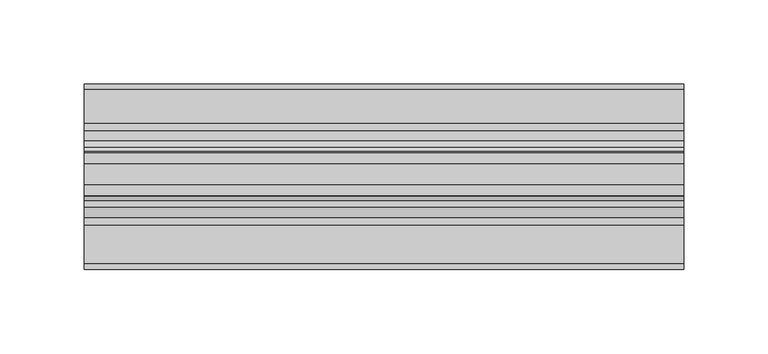
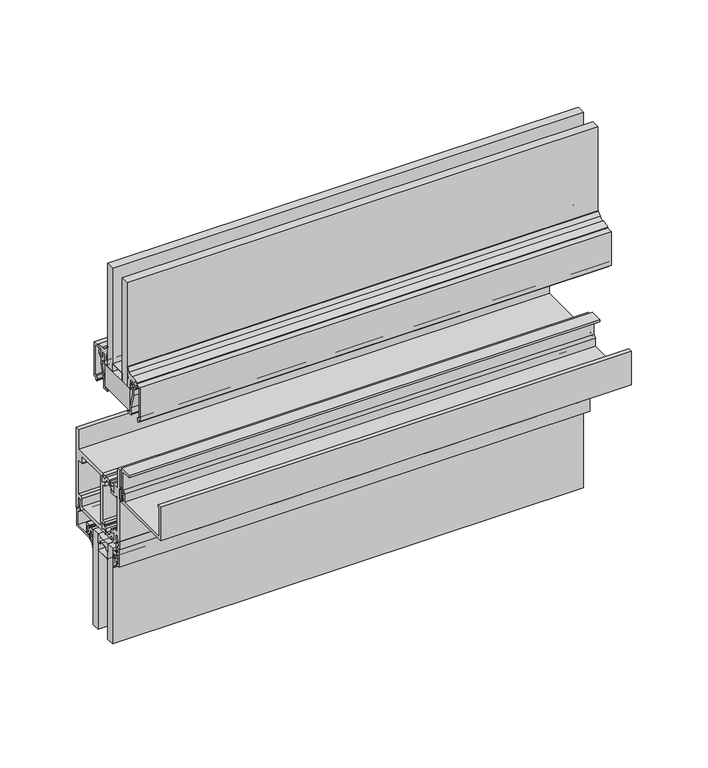
"""IFC4 building model written with IfcOpenShell, lengths in millimetres: plate geometry."""

from ifc_helpers import new_model, si_unit, point, frame, frame_2d, origin, place, context, project, spatial, polyline, circle_curve, trimmed, segment, composite_curve, outline, extrude, source, transform, mapped, element, save


def plate_e0ac2813(model_context):
    return source(origin(), model_context, "Body", "SweptSolid", [
        extrude(outline(composite_curve([segment(trimmed(circle_curve(frame_2d((-12.7, 252.348624)), 24.4943092), [point((-19.05, 228.6917289))], [point((-6.35, 228.6917289))], True, "CARTESIAN"), True, "CONTINUOUS"), segment(polyline([(-6.35, 228.6917289), (-6.35, 221.663957)]), True, "CONTINUOUS"), segment(trimmed(circle_curve(frame_2d((-7.14375, 221.663957)), 0.79375), [point((-6.35, 221.663957))], [point((-7.14375, 222.457707))], True, "CARTESIAN"), True, "CONTINUOUS"), segment(polyline([(-7.14375, 222.457707), (-8.3728775, 222.457707), (-8.3728775, 223.5556044)]), True, "CONTINUOUS"), segment(trimmed(circle_curve(frame_2d((-9.1666275, 223.5556044)), 0.79375), [point((-8.3728775, 223.5556044))], [point((-9.1666275, 224.3493544))], True, "CARTESIAN"), True, "CONTINUOUS"), segment(polyline([(-9.1666275, 224.3493544), (-16.2333725, 224.3493544)]), True, "CONTINUOUS"), segment(trimmed(circle_curve(frame_2d((-16.2333725, 223.5556044)), 0.79375), [point((-16.2333725, 224.3493544))], [point((-17.0271225, 223.5556044))], True, "CARTESIAN"), True, "CONTINUOUS"), segment(polyline([(-17.0271225, 223.5556044), (-17.0271225, 222.457707), (-18.25625, 222.457707)]), True, "CONTINUOUS"), segment(trimmed(circle_curve(frame_2d((-18.25625, 221.663957)), 0.79375), [point((-18.25625, 222.457707))], [point((-19.05, 221.663957))], True, "CARTESIAN"), True, "CONTINUOUS"), segment(polyline([(-19.05, 221.663957), (-19.05, 228.6917289)]), True, "CONTINUOUS")], self_intersect=False)), frame((-177.8, 0.0, 0.0), z_axis=(1.0, 0.0, 0.0), x_axis=(0.0, 1.0, 0.0)), (0.0, 0.0, 1.0), 355.6),
        extrude(outline(composite_curve([segment(trimmed(circle_curve(frame_2d((-23.1809622, 242.2374204)), 2.4892), [point((-24.4255622, 240.0817099))], [point((-23.5568194, 239.7767603))], True, "CARTESIAN"), True, "CONTINUOUS"), segment(trimmed(circle_curve(frame_2d((-23.9403472, 237.2658827)), 2.54), [point((-23.5568194, 239.7767603))], [point((-21.9860723, 238.8883529))], False, "CARTESIAN"), True, "CONTINUOUS"), segment(polyline([(-21.9860723, 238.8883529), (-20.6266866, 237.2509649)]), True, "CONTINUOUS"), segment(trimmed(circle_curve(frame_2d((-19.2977797, 238.3542447)), 1.7272), [point((-20.6266866, 237.2509649))], [point((-17.9688728, 237.2509649))], True, "CARTESIAN"), True, "CONTINUOUS"), segment(polyline([(-17.9688728, 237.2509649), (-16.6095134, 238.8883212)]), True, "CONTINUOUS"), segment(trimmed(circle_curve(frame_2d((-14.6552385, 237.2658509)), 2.54), [point((-16.6095134, 238.8883212))], [point((-15.0387663, 239.7767285))], False, "CARTESIAN"), True, "CONTINUOUS"), segment(trimmed(circle_curve(frame_2d((-15.4146236, 242.2373886)), 2.4892), [point((-15.0387663, 239.7767285))], [point((-14.1700236, 240.0816782))], True, "CARTESIAN"), True, "CONTINUOUS"), segment(polyline([(-14.1700236, 240.0816782), (-11.9953005, 241.3372551), (-11.9953005, 236.2412063), (-14.9359681, 237.8773974), (-17.566093, 234.7093966), (-21.029508, 234.7093966), (-23.6808354, 237.9029359), (-26.6003005, 235.8587044), (-26.6003005, 241.3372957), (-24.4255622, 240.0817099)]), True, "CONTINUOUS")], self_intersect=False)), frame((-177.8, 0.0, 0.0), z_axis=(1.0, 0.0, 0.0), x_axis=(0.0, 1.0, 0.0)), (0.0, 0.0, 1.0), 355.6),
        extrude(outline(composite_curve([segment(polyline([(-24.4255622, 275.1819988), (-26.6003005, 273.926413), (-26.6003005, 279.4050043), (-23.6808354, 277.3607728), (-21.029508, 280.5543121), (-17.566093, 280.5543121), (-14.9359681, 277.3863113), (-11.9953005, 279.0225024), (-11.9953005, 273.9264536), (-14.1700236, 275.1820305)]), True, "CONTINUOUS"), segment(trimmed(circle_curve(frame_2d((-15.4146236, 273.0263201)), 2.4892), [point((-14.1700236, 275.1820305))], [point((-15.0387663, 275.4869802))], True, "CARTESIAN"), True, "CONTINUOUS"), segment(trimmed(circle_curve(frame_2d((-14.6552385, 277.9978578)), 2.54), [point((-15.0387663, 275.4869802))], [point((-16.6095134, 276.3753875))], False, "CARTESIAN"), True, "CONTINUOUS"), segment(polyline([(-16.6095134, 276.3753875), (-17.9688728, 278.0127438)]), True, "CONTINUOUS"), segment(trimmed(circle_curve(frame_2d((-19.2977797, 276.909464)), 1.7272), [point((-17.9688728, 278.0127438))], [point((-20.6266866, 278.0127438))], True, "CARTESIAN"), True, "CONTINUOUS"), segment(polyline([(-20.6266866, 278.0127438), (-21.9860723, 276.3753558)]), True, "CONTINUOUS"), segment(trimmed(circle_curve(frame_2d((-23.9403472, 277.997826)), 2.54), [point((-21.9860723, 276.3753558))], [point((-23.5568194, 275.4869484))], False, "CARTESIAN"), True, "CONTINUOUS"), segment(trimmed(circle_curve(frame_2d((-23.1809622, 273.0262883)), 2.4892), [point((-23.5568194, 275.4869484))], [point((-24.4255622, 275.1819988))], True, "CARTESIAN"), True, "CONTINUOUS")], self_intersect=False)), frame((-177.8, 0.0, 0.0), z_axis=(1.0, 0.0, 0.0), x_axis=(0.0, 1.0, 0.0)), (0.0, 0.0, 1.0), 355.6),
        extrude(outline(polyline([(-15.7276799, 352.0722153), (-47.5894399, 352.0722153), (-47.4776799, 369.5347153), (-15.7276799, 369.5347153), (-15.7276799, 352.0722153)])), frame((-177.8, 0.0, 0.0), z_axis=(1.0, 0.0, 0.0), x_axis=(0.0, 1.0, 0.0)), (0.0, 0.0, 1.0), 355.6),
        extrude(outline(composite_curve([segment(polyline([(-34.9514484, 282.0071596), (-34.9514484, 274.0823064)]), True, "CONTINUOUS"), segment(trimmed(circle_curve(frame_2d((-36.1452484, 274.0823064)), 1.1938), [point((-34.9514484, 274.0823064))], [point((-37.3390484, 274.0823064))], False, "CARTESIAN"), True, "CONTINUOUS"), segment(polyline([(-37.3390484, 274.0823064), (-37.3390484, 276.088425), (-38.31675, 276.088425), (-38.31675, 274.615225), (-39.2186484, 274.615225), (-39.2186484, 276.469425), (-37.7962484, 276.469425), (-37.7962484, 279.619025), (-39.2186484, 279.619025), (-39.2186484, 281.473225), (-38.31675, 281.473225), (-38.31675, 280.000025), (-37.3390484, 280.000025), (-37.3390484, 282.0071596)]), True, "CONTINUOUS"), segment(trimmed(circle_curve(frame_2d((-36.1452484, 282.0071596)), 1.1938), [point((-37.3390484, 282.0071596))], [point((-34.9514484, 282.0071596))], False, "CARTESIAN"), True, "CONTINUOUS")], self_intersect=False), holes=[composite_curve([segment(trimmed(circle_curve(frame_2d((-36.1452484, 282.0071596)), 0.6858), [point((-35.4594484, 282.0071596))], [point((-36.8310484, 282.0071596))], True, "CARTESIAN"), True, "CONTINUOUS"), segment(polyline([(-36.8310484, 282.0071596), (-36.8310484, 274.0823064)]), True, "CONTINUOUS"), segment(trimmed(circle_curve(frame_2d((-36.1452484, 274.0823064)), 0.6858), [point((-36.8310484, 274.0823064))], [point((-35.4594484, 274.0823064))], True, "CARTESIAN"), True, "CONTINUOUS"), segment(polyline([(-35.4594484, 274.0823064), (-35.4594484, 282.0071596)]), True, "CONTINUOUS")], self_intersect=False)]), frame((-177.8, 0.0, 0.0), z_axis=(1.0, 0.0, 0.0), x_axis=(0.0, 1.0, 0.0)), (0.0, 0.0, 1.0), 355.6),
        extrude(outline(polyline([(-37.9526799, 375.8847153), (-25.2526799, 375.8847153), (-25.2526799, 369.5347153), (-37.9526799, 369.5347153), (-37.9526799, 375.8847153)]), holes=[polyline([(-37.7314801, 375.6717755), (-37.7314801, 369.6999055), (-25.4526847, 369.6999055), (-25.4526847, 375.6717755), (-37.7314801, 375.6717755)])]), frame((-177.8, 0.0, 0.0), z_axis=(1.0, 0.0, 0.0), x_axis=(0.0, 1.0, 0.0)), (0.0, 0.0, 1.0), 355.6),
        extrude(outline(polyline([(-177.8, -25.2526799), (-177.8, -18.9026799), (177.8, -18.9026799), (177.8, -25.2526799), (-177.8, -25.2526799)])), frame((0.0, 0.0, 369.5347153), z_axis=(0.0, 0.0, 1.0), x_axis=(1.0, 0.0, 0.0)), (0.0, 0.0, 1.0), 82.55),
        extrude(outline(polyline([(-177.8, -44.3026799), (-177.8, -37.9526799), (177.8, -37.9526799), (177.8, -44.3026799), (-177.8, -44.3026799)])), frame((0.0, 0.0, 369.5347153), z_axis=(0.0, 0.0, 1.0), x_axis=(1.0, 0.0, 0.0)), (0.0, 0.0, 1.0), 82.55),
        extrude(outline(composite_curve([segment(trimmed(circle_curve(frame_2d((-13.6651999, 376.8225309)), 0.508), [point((-14.1731999, 376.8225309))], [point((-13.6651999, 377.3305309))], False, "CARTESIAN"), True, "CONTINUOUS"), segment(polyline([(-13.6651999, 377.3305309), (-12.4205999, 377.3305309), (-12.4205999, 376.5177309), (-13.2068092, 376.5177309), (-13.2068092, 375.7170136), (-12.4992779, 372.4938153), (-11.0235999, 372.4938153), (-9.1439999, 374.3663756), (-9.1439999, 376.4562153), (-10.0569374, 376.4562153), (-9.1417677, 379.0597153), (-1.4731999, 379.0597153), (-1.4731999, 352.0737406), (-3.9823329, 352.0737406), (-3.1851555, 350.6967979), (-3.8661393, 350.0158142)]), True, "CONTINUOUS"), segment(trimmed(circle_curve(frame_2d((-4.2232428, 350.3771189)), 0.508), [point((-3.8661393, 350.0158142))], [point((-4.7005125, 350.2031143))], False, "CARTESIAN"), True, "CONTINUOUS"), segment(polyline([(-4.7005125, 350.2031143), (-5.136331, 351.3985022)]), True, "CONTINUOUS"), segment(trimmed(circle_curve(frame_2d((-3.7761123, 351.8944153)), 1.4478), [point((-5.136331, 351.3985022))], [point((-3.7761123, 353.3422153))], False, "CARTESIAN"), True, "CONTINUOUS"), segment(polyline([(-3.7761123, 353.3422153), (-2.7431999, 353.3422153), (-2.7431999, 377.7897153), (-7.2389999, 377.7897153)]), True, "CONTINUOUS"), segment(trimmed(circle_curve(frame_2d((-7.2389999, 377.1547153)), 0.635), [point((-7.2389999, 377.7897153))], [point((-7.8739999, 377.1547153))], True, "CARTESIAN"), True, "CONTINUOUS"), segment(polyline([(-7.8739999, 377.1547153), (-7.8739999, 374.6354421)]), True, "CONTINUOUS"), segment(trimmed(circle_curve(frame_2d((-9.7789999, 374.6354421)), 1.905), [point((-7.8739999, 374.6354421))], [point((-8.4319614, 373.2884037))], False, "CARTESIAN"), True, "CONTINUOUS"), segment(polyline([(-8.4319614, 373.2884037), (-10.3632634, 371.3571018), (-10.3632634, 367.2949535), (-13.5573134, 355.5538035), (-13.5573134, 350.8784153)]), True, "CONTINUOUS"), segment(trimmed(circle_curve(frame_2d((-14.8273134, 350.8784153)), 1.27), [point((-13.5573134, 350.8784153))], [point((-14.8273134, 349.6084153))], False, "CARTESIAN"), True, "CONTINUOUS"), segment(polyline([(-14.8273134, 349.6084153), (-17.9959634, 349.6084153)]), True, "CONTINUOUS"), segment(trimmed(circle_curve(frame_2d((-17.9959634, 349.9894153)), 0.381), [point((-17.9959634, 349.6084153))], [point((-18.1152217, 350.3512695))], False, "CARTESIAN"), True, "CONTINUOUS"), segment(polyline([(-18.1152217, 350.3512695), (-14.8273134, 351.2340153), (-14.8273134, 355.7234653), (-11.6332634, 367.4646153), (-11.6332634, 371.4754927), (-13.2079999, 371.4754927), (-13.2079999, 370.6650153)]), True, "CONTINUOUS"), segment(trimmed(circle_curve(frame_2d((-13.2079999, 371.6302153)), 0.9652), [point((-13.2079999, 370.6650153))], [point((-14.1731999, 371.6302153))], False, "CARTESIAN"), True, "CONTINUOUS"), segment(polyline([(-14.1731999, 371.6302153), (-14.1731999, 376.8225309)]), True, "CONTINUOUS")], self_intersect=False)), frame((-177.8, 0.0, 0.0), z_axis=(1.0, 0.0, 0.0), x_axis=(0.0, 1.0, 0.0)), (0.0, 0.0, 1.0), 355.6),
        extrude(outline(composite_curve([segment(polyline([(-49.0321599, 376.8225309), (-49.0321599, 371.6302153)]), True, "CONTINUOUS"), segment(trimmed(circle_curve(frame_2d((-49.9973599, 371.6302153)), 0.9652), [point((-49.0321599, 371.6302153))], [point((-49.9973599, 370.6650153))], False, "CARTESIAN"), True, "CONTINUOUS"), segment(polyline([(-49.9973599, 370.6650153), (-49.9973599, 371.4754927), (-51.5720964, 371.4754927), (-51.5720964, 367.4646153), (-48.3780464, 355.7234653), (-48.3780464, 351.2340153), (-45.090138, 350.3512695)]), True, "CONTINUOUS"), segment(trimmed(circle_curve(frame_2d((-45.2093964, 349.9894153)), 0.381), [point((-45.090138, 350.3512695))], [point((-45.2093964, 349.6084153))], False, "CARTESIAN"), True, "CONTINUOUS"), segment(polyline([(-45.2093964, 349.6084153), (-48.3780464, 349.6084153)]), True, "CONTINUOUS"), segment(trimmed(circle_curve(frame_2d((-48.3780464, 350.8784153)), 1.27), [point((-48.3780464, 349.6084153))], [point((-49.6480464, 350.8784153))], False, "CARTESIAN"), True, "CONTINUOUS"), segment(polyline([(-49.6480464, 350.8784153), (-49.6480464, 355.5538035), (-52.8420964, 367.2949535), (-52.8420964, 371.3571018), (-54.7733983, 373.2884037)]), True, "CONTINUOUS"), segment(trimmed(circle_curve(frame_2d((-53.4263599, 374.6354421)), 1.905), [point((-54.7733983, 373.2884037))], [point((-55.3313599, 374.6354421))], False, "CARTESIAN"), True, "CONTINUOUS"), segment(polyline([(-55.3313599, 374.6354421), (-55.3313599, 377.1547153)]), True, "CONTINUOUS"), segment(trimmed(circle_curve(frame_2d((-55.9663599, 377.1547153)), 0.635), [point((-55.3313599, 377.1547153))], [point((-55.9663599, 377.7897153))], True, "CARTESIAN"), True, "CONTINUOUS"), segment(polyline([(-55.9663599, 377.7897153), (-60.4621599, 377.7897153), (-60.4621599, 353.3422153), (-59.4292474, 353.3422153)]), True, "CONTINUOUS"), segment(trimmed(circle_curve(frame_2d((-59.4292474, 351.8944153)), 1.4478), [point((-59.4292474, 353.3422153))], [point((-58.0690287, 351.3985022))], False, "CARTESIAN"), True, "CONTINUOUS"), segment(polyline([(-58.0690287, 351.3985022), (-58.5048472, 350.2031143)]), True, "CONTINUOUS"), segment(trimmed(circle_curve(frame_2d((-58.982117, 350.3771189)), 0.508), [point((-58.5048472, 350.2031143))], [point((-59.3392204, 350.0158142))], False, "CARTESIAN"), True, "CONTINUOUS"), segment(polyline([(-59.3392204, 350.0158142), (-60.0202042, 350.6967979), (-59.2230268, 352.0737406), (-61.7321599, 352.0737406), (-61.7321599, 379.0597153), (-54.063592, 379.0597153), (-53.1484223, 376.4562153), (-54.0613599, 376.4562153), (-54.0613599, 374.3663756), (-52.1817599, 372.4938153), (-50.7060818, 372.4938153), (-49.9985505, 375.7170136), (-49.9985505, 376.5177309), (-50.7847599, 376.5177309), (-50.7847599, 377.3305309), (-49.5401599, 377.3305309)]), True, "CONTINUOUS"), segment(trimmed(circle_curve(frame_2d((-49.5401599, 376.8225309)), 0.508), [point((-49.5401599, 377.3305309))], [point((-49.0321599, 376.8225309))], False, "CARTESIAN"), True, "CONTINUOUS")], self_intersect=False)), frame((-177.8, 0.0, 0.0), z_axis=(1.0, 0.0, 0.0), x_axis=(0.0, 1.0, 0.0)), (0.0, 0.0, 1.0), 355.6),
        extrude(outline(composite_curve([segment(trimmed(circle_curve(frame_2d((-28.4481661, 374.5867579)), 11.8511576), [point((-16.8958445, 377.2313378))], [point((-17.4519801, 379.0064672))], True, "CARTESIAN"), True, "CONTINUOUS"), segment(polyline([(-17.4519801, 379.0064672), (-18.4299611, 380.528582)]), True, "CONTINUOUS"), segment(trimmed(circle_curve(frame_2d((-16.8225569, 381.7608857)), 2.0254186), [point((-18.4299611, 380.528582))], [point((-18.8453216, 381.6572349))], False, "CARTESIAN"), True, "CONTINUOUS"), segment(polyline([(-18.8453216, 381.6572349), (-18.8854469, 384.9398531)]), True, "CONTINUOUS"), segment(trimmed(circle_curve(frame_2d((-18.4885719, 384.9398531)), 0.396875), [point((-18.8854469, 384.9398531))], [point((-18.2267159, 385.2380832))], False, "CARTESIAN"), True, "CONTINUOUS"), segment(polyline([(-18.2267159, 385.2380832), (-15.799611, 382.4201915)]), True, "CONTINUOUS"), segment(trimmed(circle_curve(frame_2d((-12.5240284, 385.8820309)), 4.765897), [point((-15.799611, 382.4201915))], [point((-11.8985378, 381.1573579))], True, "CARTESIAN"), True, "CONTINUOUS"), segment(trimmed(circle_curve(frame_2d((-11.5246073, 368.9668204)), 12.196271), [point((-11.8985378, 381.1573579))], [point((-6.0059562, 379.8431028))], False, "CARTESIAN"), True, "CONTINUOUS"), segment(polyline([(-6.0059562, 379.8431028), (-5.7496564, 379.0554604), (-7.6687501, 379.1311821), (-9.2931528, 379.0012681), (-10.1545373, 376.2948547), (-9.3686823, 376.1701754), (-10.2392565, 375.1755258), (-9.4887146, 374.9366468), (-10.9893863, 373.1755062), (-12.6224939, 374.6122187), (-11.8406254, 375.1533533), (-12.6690337, 376.0998275), (-11.6936669, 376.2217125), (-12.2509631, 377.5835919), (-14.1139708, 377.5835919), (-14.1139708, 375.1527405)]), True, "CONTINUOUS"), segment(trimmed(circle_curve(frame_2d((-31.5769474, 376.4603355)), 17.5118633), [point((-14.1139708, 375.1527405))], [point((-15.1612753, 370.3618876))], False, "CARTESIAN"), True, "CONTINUOUS"), segment(trimmed(circle_curve(frame_2d((-16.4644062, 370.8573418)), 1.3941395), [point((-15.1612753, 370.3618876))], [point((-17.7675371, 370.3618876))], False, "CARTESIAN"), True, "CONTINUOUS"), segment(trimmed(circle_curve(frame_2d((0.2712904, 376.9366907)), 19.1996701), [point((-17.7675371, 370.3618876))], [point((-18.8453216, 375.1527405))], False, "CARTESIAN"), True, "CONTINUOUS"), segment(polyline([(-18.8453216, 375.1527405), (-18.8453216, 378.5625793)]), True, "CONTINUOUS"), segment(trimmed(circle_curve(frame_2d((-18.5228363, 378.5509624)), 0.3226944), [point((-18.8453216, 378.5625793))], [point((-18.2140666, 378.4571917))], False, "CARTESIAN"), True, "CONTINUOUS"), segment(polyline([(-18.2140666, 378.4571917), (-17.1362265, 374.4176171)]), True, "CONTINUOUS"), segment(trimmed(circle_curve(frame_2d((-16.8421637, 374.5499125)), 0.3224516), [point((-17.1362265, 374.4176171))], [point((-16.5228912, 374.5950802))], True, "CARTESIAN"), True, "CONTINUOUS"), segment(polyline([(-16.5228912, 374.5950802), (-16.8958445, 377.2313378)]), True, "CONTINUOUS")], self_intersect=False)), frame((-177.8, 0.0, 0.0), z_axis=(1.0, 0.0, 0.0), x_axis=(0.0, 1.0, 0.0)), (0.0, 0.0, 1.0), 355.6),
        extrude(outline(composite_curve([segment(polyline([(-46.2824971, 377.2313378), (-46.6554504, 374.5950802)]), True, "CONTINUOUS"), segment(trimmed(circle_curve(frame_2d((-46.3361779, 374.5499125)), 0.3224516), [point((-46.6554504, 374.5950802))], [point((-46.042115, 374.4176171))], True, "CARTESIAN"), True, "CONTINUOUS"), segment(polyline([(-46.042115, 374.4176171), (-44.964275, 378.4571917)]), True, "CONTINUOUS"), segment(trimmed(circle_curve(frame_2d((-44.6555052, 378.5509624)), 0.3226944), [point((-44.964275, 378.4571917))], [point((-44.33302, 378.5625793))], False, "CARTESIAN"), True, "CONTINUOUS"), segment(polyline([(-44.33302, 378.5625793), (-44.33302, 375.1527405)]), True, "CONTINUOUS"), segment(trimmed(circle_curve(frame_2d((-63.4496319, 376.9366907)), 19.1996701), [point((-44.33302, 375.1527405))], [point((-45.4108045, 370.3618876))], False, "CARTESIAN"), True, "CONTINUOUS"), segment(trimmed(circle_curve(frame_2d((-46.7139354, 370.8573418)), 1.3941395), [point((-45.4108045, 370.3618876))], [point((-48.0170662, 370.3618876))], False, "CARTESIAN"), True, "CONTINUOUS"), segment(trimmed(circle_curve(frame_2d((-31.6013942, 376.4603355)), 17.5118633), [point((-48.0170662, 370.3618876))], [point((-49.0643708, 375.1527405))], False, "CARTESIAN"), True, "CONTINUOUS"), segment(polyline([(-49.0643708, 375.1527405), (-49.0643708, 377.5835919), (-50.9273784, 377.5835919), (-51.4846746, 376.2217125), (-50.5093079, 376.0998275), (-51.3377162, 375.1533533), (-50.5558476, 374.6122187), (-52.1889552, 373.1755062), (-53.689627, 374.9366468), (-52.939085, 375.1755258), (-53.8096592, 376.1701754), (-53.0238043, 376.2948547), (-53.8851888, 379.0012681), (-55.5095914, 379.1311821), (-57.4286851, 379.0554604), (-57.1723854, 379.8431028)]), True, "CONTINUOUS"), segment(trimmed(circle_curve(frame_2d((-51.6537343, 368.9668204)), 12.196271), [point((-57.1723854, 379.8431028))], [point((-51.2798038, 381.1573579))], False, "CARTESIAN"), True, "CONTINUOUS"), segment(trimmed(circle_curve(frame_2d((-50.6543132, 385.8820309)), 4.765897), [point((-51.2798038, 381.1573579))], [point((-47.3787305, 382.4201915))], True, "CARTESIAN"), True, "CONTINUOUS"), segment(polyline([(-47.3787305, 382.4201915), (-44.9516257, 385.2380832)]), True, "CONTINUOUS"), segment(trimmed(circle_curve(frame_2d((-44.6897696, 384.9398531)), 0.396875), [point((-44.9516257, 385.2380832))], [point((-44.2928946, 384.9398531))], False, "CARTESIAN"), True, "CONTINUOUS"), segment(polyline([(-44.2928946, 384.9398531), (-44.33302, 381.6572349)]), True, "CONTINUOUS"), segment(trimmed(circle_curve(frame_2d((-46.3557847, 381.7608857)), 2.0254186), [point((-44.33302, 381.6572349))], [point((-44.7483805, 380.528582))], False, "CARTESIAN"), True, "CONTINUOUS"), segment(polyline([(-44.7483805, 380.528582), (-45.7263615, 379.0064672)]), True, "CONTINUOUS"), segment(trimmed(circle_curve(frame_2d((-34.7301755, 374.5867579)), 11.8511576), [point((-45.7263615, 379.0064672))], [point((-46.2824971, 377.2313378))], True, "CARTESIAN"), True, "CONTINUOUS")], self_intersect=False)), frame((-177.8, 0.0, 0.0), z_axis=(1.0, 0.0, 0.0), x_axis=(0.0, 1.0, 0.0)), (0.0, 0.0, 1.0), 355.6),
        extrude(outline(polyline([(-15.7276799, 369.5347153), (-15.7276799, 352.0722153), (-47.5894399, 352.0722153), (-47.4776799, 369.5347153), (-15.7276799, 369.5347153)])), frame((-177.8, 0.0, 0.0), z_axis=(1.0, 0.0, 0.0), x_axis=(0.0, 1.0, 0.0)), (0.0, 0.0, 1.0), 355.6),
        extrude(outline(polyline([(-177.8, -6.35), (-177.8, 0.0), (177.8, 0.0), (177.8, -6.35), (-177.8, -6.35)])), frame((0.0, 0.0, 152.4917289), z_axis=(0.0, 0.0, 1.0), x_axis=(1.0, 0.0, 0.0)), (0.0, 0.0, 1.0), 76.2),
        extrude(outline(polyline([(-177.8, -25.4), (-177.8, -19.05), (177.8, -19.05), (177.8, -25.4), (-177.8, -25.4)])), frame((0.0, 0.0, 152.4917289), z_axis=(0.0, 0.0, 1.0), x_axis=(1.0, 0.0, 0.0)), (0.0, 0.0, 1.0), 76.2),
        extrude(outline(composite_curve([segment(polyline([(1.2146236, 217.7547881), (3.6195019, 220.0298082), (3.6195019, 223.3964394)]), True, "CONTINUOUS"), segment(trimmed(circle_curve(frame_2d((3.9370017, 223.7514153)), 0.47625), [point((3.6195019, 223.3964394))], [point((3.619501, 224.1063905))], True, "CARTESIAN"), True, "CONTINUOUS"), segment(polyline([(3.619501, 224.1063905), (3.619501, 225.6894264)]), True, "CONTINUOUS"), segment(trimmed(circle_curve(frame_2d((3.1116463, 224.2840488)), 1.4943235), [point((3.619501, 225.6894264))], [point((1.6174209, 224.301171))], True, "CARTESIAN"), True, "CONTINUOUS"), segment(polyline([(1.6174209, 224.301171), (0.5798898, 220.9663861)]), True, "CONTINUOUS"), segment(trimmed(circle_curve(frame_2d((0.2963183, 221.0546119)), 0.2969791), [point((0.5798898, 220.9663861))], [point((0.0, 221.0348119))], False, "CARTESIAN"), True, "CONTINUOUS"), segment(polyline([(0.0, 221.0348119), (0.0, 225.0824819)]), True, "CONTINUOUS"), segment(trimmed(circle_curve(frame_2d((2.8819649, 225.2349635)), 2.8859959), [point((0.0, 225.0824819))], [point((2.7993723, 228.1197774))], False, "CARTESIAN"), True, "CONTINUOUS"), segment(polyline([(2.7993723, 228.1197774), (3.619501, 228.1432578), (4.7625003, 228.1432578), (4.7625003, 225.2246164), (6.1341013, 225.2246164), (6.1341013, 226.5374454)]), True, "CONTINUOUS"), segment(trimmed(circle_curve(frame_2d((6.4896997, 226.8248149)), 0.4571996), [point((6.1341013, 226.5374454))], [point((6.9468994, 226.8248149))], False, "CARTESIAN"), True, "CONTINUOUS"), segment(polyline([(6.9468994, 226.8248149), (6.9468994, 224.7570221)]), True, "CONTINUOUS"), segment(trimmed(circle_curve(frame_2d((6.4706494, 224.7065795)), 0.4789139), [point((6.9468994, 224.7570221))], [point((6.4706494, 224.2276656))], False, "CARTESIAN"), True, "CONTINUOUS"), segment(trimmed(circle_curve(frame_2d((6.4706494, 223.7514156)), 0.47625), [point((6.4706494, 224.2276656))], [point((6.4706494, 223.2751656))], True, "CARTESIAN"), True, "CONTINUOUS"), segment(trimmed(circle_curve(frame_2d((6.3248962, 222.6704806)), 0.6220032), [point((6.4706494, 223.2751656))], [point((6.9468994, 222.6704806))], False, "CARTESIAN"), True, "CONTINUOUS"), segment(polyline([(6.9468994, 222.6704806), (6.9468994, 220.6780162)]), True, "CONTINUOUS"), segment(trimmed(circle_curve(frame_2d((6.4896997, 220.6780162)), 0.4571996), [point((6.9468994, 220.6780162))], [point((6.134102, 220.9653866))], False, "CARTESIAN"), True, "CONTINUOUS"), segment(polyline([(6.134102, 220.9653866), (6.134102, 222.2782299), (4.7625003, 222.2782299), (4.7625003, 218.4065425), (1.4889495, 215.9053304)]), True, "CONTINUOUS"), segment(trimmed(circle_curve(frame_2d((3.0879023, 213.93243)), 2.5394854), [point((1.4889495, 215.9053304))], [point((0.5496136, 213.8544755))], True, "CARTESIAN"), True, "CONTINUOUS"), segment(trimmed(circle_curve(frame_2d((0.2748716, 213.8460377)), 0.2748716), [point((0.5496136, 213.8544755))], [point((0.0, 213.8460377))], False, "CARTESIAN"), True, "CONTINUOUS"), segment(polyline([(0.0, 213.8460377), (0.0, 215.5592614)]), True, "CONTINUOUS"), segment(trimmed(circle_curve(frame_2d((3.0412561, 215.3105023)), 3.0514128), [point((0.0, 215.5592614))], [point((1.2146236, 217.7547881))], False, "CARTESIAN"), True, "CONTINUOUS")], self_intersect=False)), frame((-177.8, 0.0, 0.0), z_axis=(1.0, 0.0, 0.0), x_axis=(0.0, 1.0, 0.0)), (0.0, 0.0, 1.0), 355.6),
        extrude(outline(composite_curve([segment(trimmed(circle_curve(frame_2d((-28.4412561, 215.3105023)), 3.0514128), [point((-26.6146236, 217.7547881))], [point((-25.4, 215.5592614))], False, "CARTESIAN"), True, "CONTINUOUS"), segment(polyline([(-25.4, 215.5592614), (-25.4, 213.8460377)]), True, "CONTINUOUS"), segment(trimmed(circle_curve(frame_2d((-25.6748716, 213.8460377)), 0.2748716), [point((-25.4, 213.8460377))], [point((-25.9496136, 213.8544755))], False, "CARTESIAN"), True, "CONTINUOUS"), segment(trimmed(circle_curve(frame_2d((-28.4879023, 213.93243)), 2.5394854), [point((-25.9496136, 213.8544755))], [point((-26.8889495, 215.9053304))], True, "CARTESIAN"), True, "CONTINUOUS"), segment(polyline([(-26.8889495, 215.9053304), (-30.1625003, 218.4065425), (-30.1625003, 222.2782299), (-31.534102, 222.2782299), (-31.534102, 220.9653866)]), True, "CONTINUOUS"), segment(trimmed(circle_curve(frame_2d((-31.8896997, 220.6780162)), 0.4571996), [point((-31.534102, 220.9653866))], [point((-32.3468994, 220.6780162))], False, "CARTESIAN"), True, "CONTINUOUS"), segment(polyline([(-32.3468994, 220.6780162), (-32.3468994, 222.6704806)]), True, "CONTINUOUS"), segment(trimmed(circle_curve(frame_2d((-31.7248962, 222.6704806)), 0.6220032), [point((-32.3468994, 222.6704806))], [point((-31.8706494, 223.2751656))], False, "CARTESIAN"), True, "CONTINUOUS"), segment(trimmed(circle_curve(frame_2d((-31.8706494, 223.7514156)), 0.47625), [point((-31.8706494, 223.2751656))], [point((-31.8706494, 224.2276656))], True, "CARTESIAN"), True, "CONTINUOUS"), segment(trimmed(circle_curve(frame_2d((-31.8706494, 224.7065795)), 0.4789139), [point((-31.8706494, 224.2276656))], [point((-32.3468994, 224.7570221))], False, "CARTESIAN"), True, "CONTINUOUS"), segment(polyline([(-32.3468994, 224.7570221), (-32.3468994, 226.8248149)]), True, "CONTINUOUS"), segment(trimmed(circle_curve(frame_2d((-31.8896997, 226.8248149)), 0.4571996), [point((-32.3468994, 226.8248149))], [point((-31.5341013, 226.5374454))], False, "CARTESIAN"), True, "CONTINUOUS"), segment(polyline([(-31.5341013, 226.5374454), (-31.5341013, 225.2246164), (-30.1625, 225.2246164), (-30.1625, 228.1432578), (-29.019501, 228.1432578), (-28.1993723, 228.1197774)]), True, "CONTINUOUS"), segment(trimmed(circle_curve(frame_2d((-28.2819649, 225.2349635)), 2.8859959), [point((-28.1993723, 228.1197774))], [point((-25.4, 225.0824819))], False, "CARTESIAN"), True, "CONTINUOUS"), segment(polyline([(-25.4, 225.0824819), (-25.4, 221.0348119)]), True, "CONTINUOUS"), segment(trimmed(circle_curve(frame_2d((-25.6963183, 221.0546119)), 0.2969791), [point((-25.4, 221.0348119))], [point((-25.9798898, 220.9663861))], False, "CARTESIAN"), True, "CONTINUOUS"), segment(polyline([(-25.9798898, 220.9663861), (-27.0174209, 224.301171)]), True, "CONTINUOUS"), segment(trimmed(circle_curve(frame_2d((-28.5116463, 224.2840488)), 1.4943235), [point((-27.0174209, 224.301171))], [point((-29.019501, 225.6894264))], True, "CARTESIAN"), True, "CONTINUOUS"), segment(polyline([(-29.019501, 225.6894264), (-29.019501, 224.1063905)]), True, "CONTINUOUS"), segment(trimmed(circle_curve(frame_2d((-29.3370017, 223.7514153)), 0.47625), [point((-29.019501, 224.1063905))], [point((-29.0195019, 223.3964394))], True, "CARTESIAN"), True, "CONTINUOUS"), segment(polyline([(-29.0195019, 223.3964394), (-29.0195019, 220.0298082), (-26.6146236, 217.7547881)]), True, "CONTINUOUS")], self_intersect=False)), frame((-177.8, 0.0, 0.0), z_axis=(1.0, 0.0, 0.0), x_axis=(0.0, 1.0, 0.0)), (0.0, 0.0, 1.0), 355.6),
        extrude(outline(composite_curve([segment(trimmed(circle_curve(frame_2d((19.0500001, 234.7414348)), 1.4732), [point((17.5768001, 234.7414348))], [point((18.2080195, 235.9503131))], False, "CARTESIAN"), True, "CONTINUOUS"), segment(polyline([(18.2080195, 235.9503131), (17.0960031, 242.0744148), (18.4105948, 242.0744148), (19.7607074, 234.6405968), (18.9879884, 234.7500377), (18.9879884, 233.0353133), (21.4376001, 232.9050148), (21.4376001, 218.6302148), (4.9022001, 218.6302148), (4.7752001, 220.6622148)]), True, "CONTINUOUS"), segment(trimmed(circle_curve(frame_2d((5.5881395, 220.6621578)), 0.8129393), [point((4.7752001, 220.6622148))], [point((5.7899301, 221.4496544))], False, "CARTESIAN"), True, "CONTINUOUS"), segment(polyline([(5.7899301, 221.4496544), (5.7899301, 219.9002148), (7.1628001, 219.9002148), (7.1628001, 227.3932148), (5.7899301, 227.3932148), (5.7899301, 225.8437751)]), True, "CONTINUOUS"), segment(trimmed(circle_curve(frame_2d((5.5881398, 226.6312721)), 0.8129397), [point((5.7899301, 225.8437751))], [point((4.7752001, 226.6312721))], False, "CARTESIAN"), True, "CONTINUOUS"), segment(polyline([(4.7752001, 226.6312721), (4.7752001, 228.6632148), (8.7376001, 228.6632148), (8.7376001, 220.1034148), (19.9644001, 220.1034148), (19.9644001, 231.5588148), (19.0500001, 231.5588148)]), True, "CONTINUOUS"), segment(trimmed(circle_curve(frame_2d((19.0500001, 233.0320148)), 1.4732), [point((19.0500001, 231.5588148))], [point((17.5768001, 233.0320148))], False, "CARTESIAN"), True, "CONTINUOUS"), segment(polyline([(17.5768001, 233.0320148), (17.5768001, 234.7414348)]), True, "CONTINUOUS")], self_intersect=False)), frame((-177.8, 0.0, 0.0), z_axis=(1.0, 0.0, 0.0), x_axis=(0.0, 1.0, 0.0)), (0.0, 0.0, 1.0), 355.6),
        extrude(outline(composite_curve([segment(polyline([(-8.3728775, 223.5556044), (-8.3728775, 222.457707), (-7.14375, 222.457707)]), True, "CONTINUOUS"), segment(trimmed(circle_curve(frame_2d((-7.14375, 221.663957)), 0.79375), [point((-7.14375, 222.457707))], [point((-6.35, 221.663957))], False, "CARTESIAN"), True, "CONTINUOUS"), segment(polyline([(-6.35, 221.663957), (-6.35, 216.7854789)]), True, "CONTINUOUS"), segment(trimmed(circle_curve(frame_2d((-7.14375, 216.7854789)), 0.79375), [point((-6.35, 216.7854789))], [point((-7.14375, 215.9917289))], False, "CARTESIAN"), True, "CONTINUOUS"), segment(polyline([(-7.14375, 215.9917289), (-18.25625, 215.9917289)]), True, "CONTINUOUS"), segment(trimmed(circle_curve(frame_2d((-18.25625, 216.7854789)), 0.79375), [point((-18.25625, 215.9917289))], [point((-19.05, 216.7854789))], False, "CARTESIAN"), True, "CONTINUOUS"), segment(polyline([(-19.05, 216.7854789), (-19.05, 221.663957)]), True, "CONTINUOUS"), segment(trimmed(circle_curve(frame_2d((-18.25625, 221.663957)), 0.79375), [point((-19.05, 221.663957))], [point((-18.25625, 222.457707))], False, "CARTESIAN"), True, "CONTINUOUS"), segment(polyline([(-18.25625, 222.457707), (-17.0271225, 222.457707), (-17.0271225, 223.5556044)]), True, "CONTINUOUS"), segment(trimmed(circle_curve(frame_2d((-16.2333725, 223.5556044)), 0.79375), [point((-17.0271225, 223.5556044))], [point((-16.2333725, 224.3493544))], False, "CARTESIAN"), True, "CONTINUOUS"), segment(polyline([(-16.2333725, 224.3493544), (-9.1666275, 224.3493544)]), True, "CONTINUOUS"), segment(trimmed(circle_curve(frame_2d((-9.1666275, 223.5556044)), 0.79375), [point((-9.1666275, 224.3493544))], [point((-8.3728775, 223.5556044))], False, "CARTESIAN"), True, "CONTINUOUS")], self_intersect=False), holes=[composite_curve([segment(polyline([(-16.5191225, 223.8413544), (-16.5191225, 222.743457)]), True, "CONTINUOUS"), segment(trimmed(circle_curve(frame_2d((-17.3128725, 222.743457)), 0.79375), [point((-16.5191225, 222.743457))], [point((-17.3128725, 221.949707))], False, "CARTESIAN"), True, "CONTINUOUS"), segment(polyline([(-17.3128725, 221.949707), (-18.542, 221.949707), (-18.542, 216.4997289), (-6.858, 216.4997289), (-6.858, 221.949707), (-8.0871275, 221.949707)]), True, "CONTINUOUS"), segment(trimmed(circle_curve(frame_2d((-8.0871275, 222.743457)), 0.79375), [point((-8.0871275, 221.949707))], [point((-8.8808775, 222.743457))], False, "CARTESIAN"), True, "CONTINUOUS"), segment(polyline([(-8.8808775, 222.743457), (-8.8808775, 223.8413544), (-16.5191225, 223.8413544)]), True, "CONTINUOUS")], self_intersect=False)]), frame((-177.8, 0.0, 0.0), z_axis=(1.0, 0.0, 0.0), x_axis=(0.0, 1.0, 0.0)), (0.0, 0.0, 1.0), 355.6),
        extrude(outline(composite_curve([segment(polyline([(-34.1276564, 218.7349153), (-34.0673249, 232.9997986), (-31.6471876, 232.9997986), (-31.6471876, 234.631996), (-32.4372227, 234.5209638), (-31.0981976, 241.9539199), (-29.8175355, 241.8307794), (-30.9128526, 235.7506519)]), True, "CONTINUOUS"), segment(trimmed(circle_curve(frame_2d((-31.7464064, 234.5359477)), 1.4732), [point((-30.9128526, 235.7506519))], [point((-30.2732064, 234.5359477))], False, "CARTESIAN"), True, "CONTINUOUS"), segment(polyline([(-30.2732064, 234.5359477), (-30.2732064, 233.0224153)]), True, "CONTINUOUS"), segment(trimmed(circle_curve(frame_2d((-31.7464064, 233.0224153)), 1.4732), [point((-30.2732064, 233.0224153))], [point((-31.7464064, 231.5492153))], False, "CARTESIAN"), True, "CONTINUOUS"), segment(polyline([(-31.7464064, 231.5492153), (-32.6544564, 231.5492153), (-32.6544564, 228.7679153), (-30.1589064, 228.7679153), (-30.1589064, 226.7486153)]), True, "CONTINUOUS"), segment(trimmed(circle_curve(frame_2d((-30.9717064, 226.7486153)), 0.8128), [point((-30.1589064, 226.7486153))], [point((-31.1749064, 225.9616251))], False, "CARTESIAN"), True, "CONTINUOUS"), segment(polyline([(-31.1749064, 225.9616251), (-31.1749064, 227.4979153), (-32.5401564, 227.4979153), (-32.5401564, 220.0049153), (-31.1749064, 220.0049153), (-31.1749064, 221.5666055)]), True, "CONTINUOUS"), segment(trimmed(circle_curve(frame_2d((-30.9717064, 220.7796153)), 0.8128), [point((-31.1749064, 221.5666055))], [point((-30.1589064, 220.7796153))], False, "CARTESIAN"), True, "CONTINUOUS"), segment(polyline([(-30.1589064, 220.7796153), (-30.2859064, 218.7349153), (-34.1276564, 218.7349153)]), True, "CONTINUOUS")], self_intersect=False)), frame((-177.8, 0.0, 0.0), z_axis=(1.0, 0.0, 0.0), x_axis=(0.0, 1.0, 0.0)), (0.0, 0.0, 1.0), 355.6),
        extrude(outline(composite_curve([segment(trimmed(circle_curve(frame_2d((19.0500001, 234.7414348)), 1.4732), [point((17.5768001, 234.7414348))], [point((18.2080195, 235.9503131))], False, "CARTESIAN"), True, "CONTINUOUS"), segment(polyline([(18.2080195, 235.9503131), (17.0960031, 242.0744148), (18.4105948, 242.0744148), (19.7607074, 234.6405968), (18.9879884, 234.7500377), (18.9879884, 233.0353133), (21.4376001, 232.9050148), (21.4376001, 218.6302148), (4.9022001, 218.6302148), (4.7752001, 220.6622148)]), True, "CONTINUOUS"), segment(trimmed(circle_curve(frame_2d((5.5881395, 220.6621578)), 0.8129393), [point((4.7752001, 220.6622148))], [point((5.7899301, 221.4496544))], False, "CARTESIAN"), True, "CONTINUOUS"), segment(polyline([(5.7899301, 221.4496544), (5.7899301, 219.9002148), (7.1628001, 219.9002148), (7.1628001, 227.3932148), (5.7899301, 227.3932148), (5.7899301, 225.8437751)]), True, "CONTINUOUS"), segment(trimmed(circle_curve(frame_2d((5.5881398, 226.6312721)), 0.8129397), [point((5.7899301, 225.8437751))], [point((4.7752001, 226.6312721))], False, "CARTESIAN"), True, "CONTINUOUS"), segment(polyline([(4.7752001, 226.6312721), (4.7752001, 228.6632148), (8.7376001, 228.6632148), (8.7376001, 220.1034148), (19.9644001, 220.1034148), (19.9644001, 231.5588148), (19.0500001, 231.5588148)]), True, "CONTINUOUS"), segment(trimmed(circle_curve(frame_2d((19.0500001, 233.0320148)), 1.4732), [point((19.0500001, 231.5588148))], [point((17.5768001, 233.0320148))], False, "CARTESIAN"), True, "CONTINUOUS"), segment(polyline([(17.5768001, 233.0320148), (17.5768001, 234.7414348)]), True, "CONTINUOUS")], self_intersect=False)), frame((-177.8, 0.0, 0.0), z_axis=(1.0, 0.0, 0.0), x_axis=(0.0, 1.0, 0.0)), (0.0, 0.0, 1.0), 355.6),
        extrude(outline(composite_curve([segment(trimmed(circle_curve(frame_2d((-37.7373061, 280.7617153)), 0.4318), [point((-37.3055061, 280.7617153))], [point((-38.136945, 280.9252391))], False, "CARTESIAN"), True, "CONTINUOUS"), segment(trimmed(circle_curve(frame_2d((-38.7140059, 281.1613602)), 0.6235002), [point((-38.136945, 280.9252391))], [point((-39.3375061, 281.1613602))], True, "CARTESIAN"), True, "CONTINUOUS"), segment(polyline([(-39.3375061, 281.1613602), (-39.3375061, 274.8689153)]), True, "CONTINUOUS"), segment(trimmed(circle_curve(frame_2d((-38.7245627, 274.9629884)), 0.6201205), [point((-39.3375061, 274.8689153))], [point((-38.1425624, 275.1770563))], True, "CARTESIAN"), True, "CONTINUOUS"), segment(trimmed(circle_curve(frame_2d((-37.7373061, 275.3261153)), 0.4318), [point((-38.1425624, 275.1770563))], [point((-37.3055061, 275.3261153))], False, "CARTESIAN"), True, "CONTINUOUS"), segment(polyline([(-37.3055061, 275.3261153), (-37.3055061, 273.4973153)]), True, "CONTINUOUS"), segment(trimmed(circle_curve(frame_2d((-38.0929061, 273.4973153)), 0.7874), [point((-37.3055061, 273.4973153))], [point((-38.0929061, 272.7099153))], False, "CARTESIAN"), True, "CONTINUOUS"), segment(polyline([(-38.0929061, 272.7099153), (-88.1055061, 272.7099153), (-88.1055061, 299.6847153), (-84.9305061, 299.6847153), (-84.9305061, 298.1099153), (-86.5307061, 298.1099153), (-86.5307061, 275.0975153), (-40.9123061, 275.0975153), (-40.9123061, 281.2189153)]), True, "CONTINUOUS"), segment(trimmed(circle_curve(frame_2d((-38.7533061, 281.2189153)), 2.159), [point((-40.9123061, 281.2189153))], [point((-38.8803061, 283.3741768))], False, "CARTESIAN"), True, "CONTINUOUS"), segment(polyline([(-38.8803061, 283.3741768), (-38.8803061, 298.1099153), (-46.8305061, 298.1099153), (-46.8305061, 299.6847153), (-37.3055061, 299.6847153), (-37.3055061, 280.7617153)]), True, "CONTINUOUS")], self_intersect=False)), frame((-177.8, 0.0, 0.0), z_axis=(1.0, 0.0, 0.0), x_axis=(0.0, 1.0, 0.0)), (0.0, 0.0, 1.0), 355.6),
        extrude(outline(composite_curve([segment(trimmed(circle_curve(frame_2d((-23.1809622, 242.2374204)), 2.4892), [point((-24.4255622, 240.0817099))], [point((-23.5568194, 239.7767603))], True, "CARTESIAN"), True, "CONTINUOUS"), segment(trimmed(circle_curve(frame_2d((-23.9403472, 237.2658827)), 2.54), [point((-23.5568194, 239.7767603))], [point((-21.9860723, 238.8883529))], False, "CARTESIAN"), True, "CONTINUOUS"), segment(polyline([(-21.9860723, 238.8883529), (-20.6266866, 237.2509649)]), True, "CONTINUOUS"), segment(trimmed(circle_curve(frame_2d((-19.2977797, 238.3542447)), 1.7272), [point((-20.6266866, 237.2509649))], [point((-17.9688728, 237.2509649))], True, "CARTESIAN"), True, "CONTINUOUS"), segment(polyline([(-17.9688728, 237.2509649), (-16.6095134, 238.8883212)]), True, "CONTINUOUS"), segment(trimmed(circle_curve(frame_2d((-14.6552385, 237.2658509)), 2.54), [point((-16.6095134, 238.8883212))], [point((-15.0387663, 239.7767285))], False, "CARTESIAN"), True, "CONTINUOUS"), segment(trimmed(circle_curve(frame_2d((-15.4146236, 242.2373886)), 2.4892), [point((-15.0387663, 239.7767285))], [point((-14.1700236, 240.0816782))], True, "CARTESIAN"), True, "CONTINUOUS"), segment(polyline([(-14.1700236, 240.0816782), (-11.9953005, 241.3372551), (-11.9953005, 236.2412063), (-14.9359681, 237.8773974), (-17.566093, 234.7093966), (-21.029508, 234.7093966), (-23.6808354, 237.9029359), (-26.6003005, 235.8587044), (-26.6003005, 241.3372957), (-24.4255622, 240.0817099)]), True, "CONTINUOUS")], self_intersect=False)), frame((-177.8, 0.0, 0.0), z_axis=(1.0, 0.0, 0.0), x_axis=(0.0, 1.0, 0.0)), (0.0, 0.0, 1.0), 355.6),
        extrude(outline(composite_curve([segment(polyline([(-24.4237926, 275.0952127), (-26.6064999, 273.8807516), (-26.6064999, 278.9273785), (-23.6747435, 277.2347282), (-21.0357074, 280.4134626), (-17.5722923, 280.4134626), (-14.9421674, 277.2454618), (-12.1999374, 278.771242), (-12.1999374, 274.3678166), (-14.1197627, 275.2068338)]), True, "CONTINUOUS"), segment(trimmed(circle_curve(frame_2d((-15.3643627, 273.0511234)), 2.4892), [point((-14.1197627, 275.2068338))], [point((-14.9885054, 275.5117834))], True, "CARTESIAN"), True, "CONTINUOUS"), segment(trimmed(circle_curve(frame_2d((-14.6049777, 278.0226611)), 2.54), [point((-14.9885054, 275.5117834))], [point((-16.5592525, 276.4001908))], False, "CARTESIAN"), True, "CONTINUOUS"), segment(polyline([(-16.5592525, 276.4001908), (-17.8965359, 278.0109564)]), True, "CONTINUOUS"), segment(trimmed(circle_curve(frame_2d((-19.2254428, 276.9076766)), 1.7272), [point((-17.8965359, 278.0109564))], [point((-20.5543497, 278.0109564))], True, "CARTESIAN"), True, "CONTINUOUS"), segment(polyline([(-20.5543497, 278.0109564), (-21.9843027, 276.2885697)]), True, "CONTINUOUS"), segment(trimmed(circle_curve(frame_2d((-23.9385776, 277.91104)), 2.54), [point((-21.9843027, 276.2885697))], [point((-23.5550498, 275.4001623))], False, "CARTESIAN"), True, "CONTINUOUS"), segment(trimmed(circle_curve(frame_2d((-23.1791926, 272.9395023)), 2.4892), [point((-23.5550498, 275.4001623))], [point((-24.4237926, 275.0952127))], True, "CARTESIAN"), True, "CONTINUOUS")], self_intersect=False)), frame((-177.8, 0.0, 0.0), z_axis=(1.0, 0.0, 0.0), x_axis=(0.0, 1.0, 0.0)), (0.0, 0.0, 1.0), 355.6),
        extrude(outline(composite_curve([segment(polyline([(19.0500001, 280.6474153), (19.0500001, 296.5224153), (21.8948001, 296.5224153), (21.8948001, 233.0224153), (19.0500001, 233.0224153), (19.0500001, 234.2924153), (19.862795, 234.2924153), (19.4499993, 242.5220153), (17.0688001, 242.5220153), (17.0688001, 236.1910934)]), True, "CONTINUOUS"), segment(trimmed(circle_curve(frame_2d((15.4940001, 236.1910934)), 1.5748), [point((17.0688001, 236.1910934))], [point((15.4940001, 234.6162934))], False, "CARTESIAN"), True, "CONTINUOUS"), segment(polyline([(15.4940001, 234.6162934), (-12.4616861, 234.6162934), (-14.6792966, 235.2105003), (-15.283713, 234.707152)]), True, "CONTINUOUS"), segment(trimmed(circle_curve(frame_2d((-15.8690069, 235.287496)), 0.8242378), [point((-15.283713, 234.707152))], [point((-16.5466491, 235.7567177))], False, "CARTESIAN"), True, "CONTINUOUS"), segment(polyline([(-16.5466491, 235.7567177), (-15.8444381, 236.7708392), (-14.1842071, 237.500107), (-12.9464135, 236.3561103)]), True, "CONTINUOUS"), segment(trimmed(circle_curve(frame_2d((-12.3966681, 236.5800475)), 0.5936058), [point((-12.9464135, 236.3561103))], [point((-11.8030624, 236.5800475))], True, "CARTESIAN"), True, "CONTINUOUS"), segment(polyline([(-11.8030624, 236.5800475), (-11.8030624, 241.6113576), (-14.8259799, 241.1722604), (-14.8259799, 243.3199966), (-12.4078999, 243.3199966), (-12.4078999, 271.9437121), (-14.8259799, 271.9437121), (-14.8259799, 274.8939851), (-12.0014999, 274.4837121), (-12.0014999, 278.6836612)]), True, "CONTINUOUS"), segment(trimmed(circle_curve(frame_2d((-12.5951057, 278.6836612)), 0.5936058), [point((-12.0014999, 278.6836612))], [point((-13.1887114, 278.6836612))], True, "CARTESIAN"), True, "CONTINUOUS"), segment(polyline([(-13.1887114, 278.6836612), (-14.1842071, 277.7636016), (-15.8444381, 278.4928695), (-16.5466491, 279.506991)]), True, "CONTINUOUS"), segment(trimmed(circle_curve(frame_2d((-15.8690069, 279.9762127)), 0.8242378), [point((-16.5466491, 279.506991))], [point((-15.283713, 280.5565566))], False, "CARTESIAN"), True, "CONTINUOUS"), segment(polyline([(-15.283713, 280.5565566), (-14.6792966, 280.0532084), (-12.4616861, 280.6474153), (19.0500001, 280.6474153)]), True, "CONTINUOUS")], self_intersect=False), holes=[composite_curve([segment(trimmed(circle_curve(frame_2d((15.0876001, 272.7311121)), 0.7874), [point((15.0876001, 271.9437121))], [point((14.3002001, 272.7311121))], False, "CARTESIAN"), True, "CONTINUOUS"), segment(polyline([(14.3002001, 272.7311121), (14.3002001, 277.4724153), (-9.2328999, 277.4724153), (-9.2328999, 237.7912934), (14.3002001, 237.7912934), (14.3002001, 244.1222153)]), True, "CONTINUOUS"), segment(trimmed(circle_curve(frame_2d((15.8750001, 244.1222153)), 1.5748), [point((14.3002001, 244.1222153))], [point((15.8750001, 245.6970153))], False, "CARTESIAN"), True, "CONTINUOUS"), segment(polyline([(15.8750001, 245.6970153), (18.7198001, 245.6970153), (18.7198001, 271.9437121), (15.0876001, 271.9437121)]), True, "CONTINUOUS")], self_intersect=False)]), frame((-177.8, 0.0, 0.0), z_axis=(1.0, 0.0, 0.0), x_axis=(0.0, 1.0, 0.0)), (0.0, 0.0, 1.0), 355.6),
        extrude(outline(composite_curve([segment(polyline([(-23.7820199, 239.8550278), (-26.6064999, 241.4857421), (-26.6064999, 236.5918521)]), True, "CONTINUOUS"), segment(trimmed(circle_curve(frame_2d((-26.0984998, 236.5918521)), 0.508), [point((-26.6064999, 236.5918521))], [point((-26.0926066, 236.0838862))], True, "CARTESIAN"), True, "CONTINUOUS"), segment(polyline([(-26.0926066, 236.0838862), (-24.4021052, 237.5023853), (-22.7635618, 236.7826438), (-21.9926524, 235.6693093), (-21.9926524, 234.6280979), (-23.1924006, 234.6280979), (-23.8073259, 235.2430233), (-26.146241, 234.6163129), (-28.1861634, 234.6163129)]), True, "CONTINUOUS"), segment(trimmed(circle_curve(frame_2d((-28.1939999, 236.1910934)), 1.5748), [point((-28.1861634, 234.6163129))], [point((-29.7687999, 236.1910934))], False, "CARTESIAN"), True, "CONTINUOUS"), segment(polyline([(-29.7687999, 236.1910934), (-29.7687999, 242.5220153), (-32.1499991, 242.5220153), (-32.5627999, 234.2924153), (-31.7499999, 234.2924153), (-31.7499999, 233.0224153), (-34.5947999, 233.0224153), (-34.5947999, 296.5224153), (-31.7499999, 296.5224153), (-31.7499999, 280.6474153), (-26.1463137, 280.6474153), (-23.9287032, 280.0532084), (-22.4438438, 280.6474153), (-21.9101175, 279.7229743), (-22.7675508, 278.4984326), (-24.238078, 277.7465668), (-26.6064998, 279.4049536), (-26.6064998, 273.7897712), (-23.7820198, 275.4204855), (-23.7820198, 271.9437121), (-29.7698572, 271.9437121), (-29.7698572, 273.4424337)]), True, "CONTINUOUS"), segment(trimmed(circle_curve(frame_2d((-30.5958838, 273.4424337)), 0.8260266), [point((-29.7698572, 273.4424337))], [point((-31.4219104, 273.4424337))], True, "CARTESIAN"), True, "CONTINUOUS"), segment(polyline([(-31.4219104, 273.4424337), (-31.4219104, 245.6970153), (-28.1685999, 245.6970153)]), True, "CONTINUOUS"), segment(trimmed(circle_curve(frame_2d((-28.1685999, 244.1222153)), 1.5748), [point((-28.1685999, 245.6970153))], [point((-26.8134467, 243.3199966))], False, "CARTESIAN"), True, "CONTINUOUS"), segment(polyline([(-26.8134467, 243.3199966), (-23.7820199, 243.3199966), (-23.7820199, 239.8550278)]), True, "CONTINUOUS")], self_intersect=False)), frame((-177.8, 0.0, 0.0), z_axis=(1.0, 0.0, 0.0), x_axis=(0.0, 1.0, 0.0)), (0.0, 0.0, 1.0), 355.6),
    ])


if __name__ == "__main__":
    model = new_model("IFC4")
    model_context = context("Model", 3, world=origin())
    ifc_project = project(units=[si_unit("LENGTHUNIT", "METRE", prefix="MILLI")], contexts=[model_context])
    site = spatial("IfcSite", under=ifc_project)
    building = spatial("IfcBuilding", under=site)
    placement = place(None, origin())
    plate_shape = plate_e0ac2813(model_context)
    element("IfcPlate", 1, at=placement, inside=building, context=model_context, shape_type="MappedRepresentation", body=[
        mapped(plate_shape, transform((0.0, 0.0, 0.0), x_axis=(1.0, 0.0, 0.0), y_axis=(0.0, 1.0, 0.0), z_axis=(0.0, 0.0, 1.0))),
    ])
    save(model, "model.ifc")
